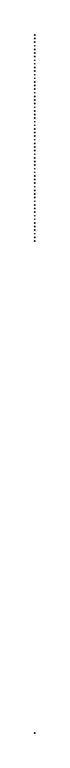
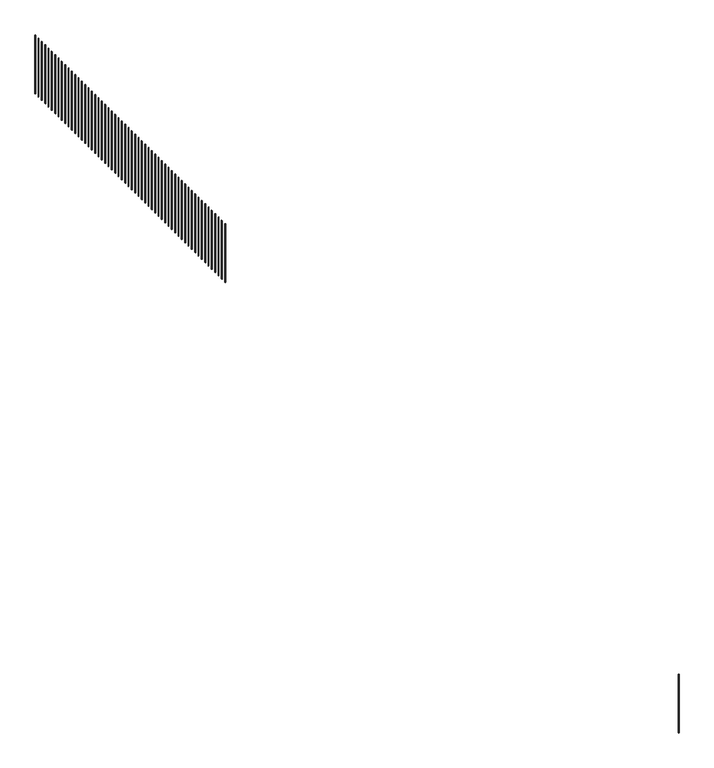
"""IFC4 building model written with IfcOpenShell, lengths in millimetres: railing geometry."""

from ifc_helpers import new_model, si_unit, frame, origin, place, context, project, spatial, polyline, outline, extrude, source, transform, mapped, element, save


def railing_5638c7fe(model_context):
    return source(origin(), model_context, "Body", "SweptSolid", [
        extrude(outline(polyline([(58152.6428488, 26765.4846524), (58177.6428488, 26765.4846524), (58177.6428488, 26740.4846524), (58152.6428488, 26740.4846524), (58152.6428488, 26765.4846524)])), frame((0.0, 0.0, 1900.0), z_axis=(0.0, 0.0, 1.0), x_axis=(1.0, 0.0, 0.0)), (0.0, 0.0, 1.0), 2950.0),
        extrude(outline(polyline([(58152.6428488, 27040.4846524), (58177.6428488, 27040.4846524), (58177.6428488, 27015.4846524), (58152.6428488, 27015.4846524), (58152.6428488, 27040.4846524)])), frame((0.0, 0.0, 1900.0), z_axis=(0.0, 0.0, 1.0), x_axis=(1.0, 0.0, 0.0)), (0.0, 0.0, 1.0), 2950.0),
        extrude(outline(polyline([(58152.6428488, 27315.4846524), (58177.6428488, 27315.4846524), (58177.6428488, 27290.4846524), (58152.6428488, 27290.4846524), (58152.6428488, 27315.4846524)])), frame((0.0, 0.0, 1900.0), z_axis=(0.0, 0.0, 1.0), x_axis=(1.0, 0.0, 0.0)), (0.0, 0.0, 1.0), 2950.0),
        extrude(outline(polyline([(58152.6428488, 27590.4846524), (58177.6428488, 27590.4846524), (58177.6428488, 27565.4846524), (58152.6428488, 27565.4846524), (58152.6428488, 27590.4846524)])), frame((0.0, 0.0, 1900.0), z_axis=(0.0, 0.0, 1.0), x_axis=(1.0, 0.0, 0.0)), (0.0, 0.0, 1.0), 2950.0),
        extrude(outline(polyline([(58152.6428488, 27865.4846524), (58177.6428488, 27865.4846524), (58177.6428488, 27840.4846524), (58152.6428488, 27840.4846524), (58152.6428488, 27865.4846524)])), frame((0.0, 0.0, 1900.0), z_axis=(0.0, 0.0, 1.0), x_axis=(1.0, 0.0, 0.0)), (0.0, 0.0, 1.0), 2950.0),
        extrude(outline(polyline([(58152.6428488, 28140.4846524), (58177.6428488, 28140.4846524), (58177.6428488, 28115.4846524), (58152.6428488, 28115.4846524), (58152.6428488, 28140.4846524)])), frame((0.0, 0.0, 1900.0), z_axis=(0.0, 0.0, 1.0), x_axis=(1.0, 0.0, 0.0)), (0.0, 0.0, 1.0), 2950.0),
        extrude(outline(polyline([(58152.6428488, 28415.4846524), (58177.6428488, 28415.4846524), (58177.6428488, 28390.4846524), (58152.6428488, 28390.4846524), (58152.6428488, 28415.4846524)])), frame((0.0, 0.0, 1900.0), z_axis=(0.0, 0.0, 1.0), x_axis=(1.0, 0.0, 0.0)), (0.0, 0.0, 1.0), 2950.0),
        extrude(outline(polyline([(58152.6428488, 28690.4846524), (58177.6428488, 28690.4846524), (58177.6428488, 28665.4846524), (58152.6428488, 28665.4846524), (58152.6428488, 28690.4846524)])), frame((0.0, 0.0, 1900.0), z_axis=(0.0, 0.0, 1.0), x_axis=(1.0, 0.0, 0.0)), (0.0, 0.0, 1.0), 2950.0),
        extrude(outline(polyline([(58152.6428488, 28965.4846524), (58177.6428488, 28965.4846524), (58177.6428488, 28940.4846524), (58152.6428488, 28940.4846524), (58152.6428488, 28965.4846524)])), frame((0.0, 0.0, 1900.0), z_axis=(0.0, 0.0, 1.0), x_axis=(1.0, 0.0, 0.0)), (0.0, 0.0, 1.0), 2950.0),
        extrude(outline(polyline([(58152.6428488, 29240.4846524), (58177.6428488, 29240.4846524), (58177.6428488, 29215.4846524), (58152.6428488, 29215.4846524), (58152.6428488, 29240.4846524)])), frame((0.0, 0.0, 1900.0), z_axis=(0.0, 0.0, 1.0), x_axis=(1.0, 0.0, 0.0)), (0.0, 0.0, 1.0), 2950.0),
        extrude(outline(polyline([(58152.6428488, 29515.4846524), (58177.6428488, 29515.4846524), (58177.6428488, 29490.4846524), (58152.6428488, 29490.4846524), (58152.6428488, 29515.4846524)])), frame((0.0, 0.0, 1900.0), z_axis=(0.0, 0.0, 1.0), x_axis=(1.0, 0.0, 0.0)), (0.0, 0.0, 1.0), 2950.0),
        extrude(outline(polyline([(58152.6428488, 29790.4846524), (58177.6428488, 29790.4846524), (58177.6428488, 29765.4846524), (58152.6428488, 29765.4846524), (58152.6428488, 29790.4846524)])), frame((0.0, 0.0, 1900.0), z_axis=(0.0, 0.0, 1.0), x_axis=(1.0, 0.0, 0.0)), (0.0, 0.0, 1.0), 2950.0),
        extrude(outline(polyline([(58152.6428488, 30065.4846524), (58177.6428488, 30065.4846524), (58177.6428488, 30040.4846524), (58152.6428488, 30040.4846524), (58152.6428488, 30065.4846524)])), frame((0.0, 0.0, 1900.0), z_axis=(0.0, 0.0, 1.0), x_axis=(1.0, 0.0, 0.0)), (0.0, 0.0, 1.0), 2950.0),
        extrude(outline(polyline([(58152.6428488, 30340.4846524), (58177.6428488, 30340.4846524), (58177.6428488, 30315.4846524), (58152.6428488, 30315.4846524), (58152.6428488, 30340.4846524)])), frame((0.0, 0.0, 1900.0), z_axis=(0.0, 0.0, 1.0), x_axis=(1.0, 0.0, 0.0)), (0.0, 0.0, 1.0), 2950.0),
        extrude(outline(polyline([(58152.6428488, 30615.4846524), (58177.6428488, 30615.4846524), (58177.6428488, 30590.4846524), (58152.6428488, 30590.4846524), (58152.6428488, 30615.4846524)])), frame((0.0, 0.0, 1900.0), z_axis=(0.0, 0.0, 1.0), x_axis=(1.0, 0.0, 0.0)), (0.0, 0.0, 1.0), 2950.0),
        extrude(outline(polyline([(58152.6428488, 30890.4846524), (58177.6428488, 30890.4846524), (58177.6428488, 30865.4846524), (58152.6428488, 30865.4846524), (58152.6428488, 30890.4846524)])), frame((0.0, 0.0, 1900.0), z_axis=(0.0, 0.0, 1.0), x_axis=(1.0, 0.0, 0.0)), (0.0, 0.0, 1.0), 2950.0),
        extrude(outline(polyline([(58152.6428488, 31165.4846524), (58177.6428488, 31165.4846524), (58177.6428488, 31140.4846524), (58152.6428488, 31140.4846524), (58152.6428488, 31165.4846524)])), frame((0.0, 0.0, 1900.0), z_axis=(0.0, 0.0, 1.0), x_axis=(1.0, 0.0, 0.0)), (0.0, 0.0, 1.0), 2950.0),
        extrude(outline(polyline([(58152.6428488, 31440.4846524), (58177.6428488, 31440.4846524), (58177.6428488, 31415.4846524), (58152.6428488, 31415.4846524), (58152.6428488, 31440.4846524)])), frame((0.0, 0.0, 1900.0), z_axis=(0.0, 0.0, 1.0), x_axis=(1.0, 0.0, 0.0)), (0.0, 0.0, 1.0), 2950.0),
        extrude(outline(polyline([(58152.6428488, 31715.4846524), (58177.6428488, 31715.4846524), (58177.6428488, 31690.4846524), (58152.6428488, 31690.4846524), (58152.6428488, 31715.4846524)])), frame((0.0, 0.0, 1900.0), z_axis=(0.0, 0.0, 1.0), x_axis=(1.0, 0.0, 0.0)), (0.0, 0.0, 1.0), 2950.0),
        extrude(outline(polyline([(58152.6428488, 31990.4846524), (58177.6428488, 31990.4846524), (58177.6428488, 31965.4846524), (58152.6428488, 31965.4846524), (58152.6428488, 31990.4846524)])), frame((0.0, 0.0, 1900.0), z_axis=(0.0, 0.0, 1.0), x_axis=(1.0, 0.0, 0.0)), (0.0, 0.0, 1.0), 2950.0),
        extrude(outline(polyline([(58152.6428488, 32265.4846524), (58177.6428488, 32265.4846524), (58177.6428488, 32240.4846524), (58152.6428488, 32240.4846524), (58152.6428488, 32265.4846524)])), frame((0.0, 0.0, 1900.0), z_axis=(0.0, 0.0, 1.0), x_axis=(1.0, 0.0, 0.0)), (0.0, 0.0, 1.0), 2950.0),
        extrude(outline(polyline([(58152.6428488, 32540.4846524), (58177.6428488, 32540.4846524), (58177.6428488, 32515.4846524), (58152.6428488, 32515.4846524), (58152.6428488, 32540.4846524)])), frame((0.0, 0.0, 1900.0), z_axis=(0.0, 0.0, 1.0), x_axis=(1.0, 0.0, 0.0)), (0.0, 0.0, 1.0), 2950.0),
        extrude(outline(polyline([(58152.6428488, 32815.4846524), (58177.6428488, 32815.4846524), (58177.6428488, 32790.4846524), (58152.6428488, 32790.4846524), (58152.6428488, 32815.4846524)])), frame((0.0, 0.0, 1900.0), z_axis=(0.0, 0.0, 1.0), x_axis=(1.0, 0.0, 0.0)), (0.0, 0.0, 1.0), 2950.0),
        extrude(outline(polyline([(58152.6428488, 33090.4846524), (58177.6428488, 33090.4846524), (58177.6428488, 33065.4846524), (58152.6428488, 33065.4846524), (58152.6428488, 33090.4846524)])), frame((0.0, 0.0, 1900.0), z_axis=(0.0, 0.0, 1.0), x_axis=(1.0, 0.0, 0.0)), (0.0, 0.0, 1.0), 2950.0),
        extrude(outline(polyline([(58152.6428488, 33365.4846524), (58177.6428488, 33365.4846524), (58177.6428488, 33340.4846524), (58152.6428488, 33340.4846524), (58152.6428488, 33365.4846524)])), frame((0.0, 0.0, 1900.0), z_axis=(0.0, 0.0, 1.0), x_axis=(1.0, 0.0, 0.0)), (0.0, 0.0, 1.0), 2950.0),
        extrude(outline(polyline([(58152.6428488, 33640.4846524), (58177.6428488, 33640.4846524), (58177.6428488, 33615.4846524), (58152.6428488, 33615.4846524), (58152.6428488, 33640.4846524)])), frame((0.0, 0.0, 1900.0), z_axis=(0.0, 0.0, 1.0), x_axis=(1.0, 0.0, 0.0)), (0.0, 0.0, 1.0), 2950.0),
        extrude(outline(polyline([(58152.6428488, 33915.4846524), (58177.6428488, 33915.4846524), (58177.6428488, 33890.4846524), (58152.6428488, 33890.4846524), (58152.6428488, 33915.4846524)])), frame((0.0, 0.0, 1900.0), z_axis=(0.0, 0.0, 1.0), x_axis=(1.0, 0.0, 0.0)), (0.0, 0.0, 1.0), 2950.0),
        extrude(outline(polyline([(58152.6428488, 34190.4846524), (58177.6428488, 34190.4846524), (58177.6428488, 34165.4846524), (58152.6428488, 34165.4846524), (58152.6428488, 34190.4846524)])), frame((0.0, 0.0, 1900.0), z_axis=(0.0, 0.0, 1.0), x_axis=(1.0, 0.0, 0.0)), (0.0, 0.0, 1.0), 2950.0),
        extrude(outline(polyline([(58152.6428488, 34465.4846524), (58177.6428488, 34465.4846524), (58177.6428488, 34440.4846524), (58152.6428488, 34440.4846524), (58152.6428488, 34465.4846524)])), frame((0.0, 0.0, 1900.0), z_axis=(0.0, 0.0, 1.0), x_axis=(1.0, 0.0, 0.0)), (0.0, 0.0, 1.0), 2950.0),
        extrude(outline(polyline([(58152.6428488, 34740.4846524), (58177.6428488, 34740.4846524), (58177.6428488, 34715.4846524), (58152.6428488, 34715.4846524), (58152.6428488, 34740.4846524)])), frame((0.0, 0.0, 1900.0), z_axis=(0.0, 0.0, 1.0), x_axis=(1.0, 0.0, 0.0)), (0.0, 0.0, 1.0), 2950.0),
        extrude(outline(polyline([(58152.6428488, 35015.4846524), (58177.6428488, 35015.4846524), (58177.6428488, 34990.4846524), (58152.6428488, 34990.4846524), (58152.6428488, 35015.4846524)])), frame((0.0, 0.0, 1900.0), z_axis=(0.0, 0.0, 1.0), x_axis=(1.0, 0.0, 0.0)), (0.0, 0.0, 1.0), 2950.0),
        extrude(outline(polyline([(58152.6428488, 35290.4846524), (58177.6428488, 35290.4846524), (58177.6428488, 35265.4846524), (58152.6428488, 35265.4846524), (58152.6428488, 35290.4846524)])), frame((0.0, 0.0, 1900.0), z_axis=(0.0, 0.0, 1.0), x_axis=(1.0, 0.0, 0.0)), (0.0, 0.0, 1.0), 2950.0),
        extrude(outline(polyline([(58152.6428488, 35565.4846524), (58177.6428488, 35565.4846524), (58177.6428488, 35540.4846524), (58152.6428488, 35540.4846524), (58152.6428488, 35565.4846524)])), frame((0.0, 0.0, 1900.0), z_axis=(0.0, 0.0, 1.0), x_axis=(1.0, 0.0, 0.0)), (0.0, 0.0, 1.0), 2950.0),
        extrude(outline(polyline([(58152.6428488, 35840.4846524), (58177.6428488, 35840.4846524), (58177.6428488, 35815.4846524), (58152.6428488, 35815.4846524), (58152.6428488, 35840.4846524)])), frame((0.0, 0.0, 1900.0), z_axis=(0.0, 0.0, 1.0), x_axis=(1.0, 0.0, 0.0)), (0.0, 0.0, 1.0), 2950.0),
        extrude(outline(polyline([(58152.6428488, 36115.4846524), (58177.6428488, 36115.4846524), (58177.6428488, 36090.4846524), (58152.6428488, 36090.4846524), (58152.6428488, 36115.4846524)])), frame((0.0, 0.0, 1900.0), z_axis=(0.0, 0.0, 1.0), x_axis=(1.0, 0.0, 0.0)), (0.0, 0.0, 1.0), 2950.0),
        extrude(outline(polyline([(58152.6428488, 36390.4846524), (58177.6428488, 36390.4846524), (58177.6428488, 36365.4846524), (58152.6428488, 36365.4846524), (58152.6428488, 36390.4846524)])), frame((0.0, 0.0, 1900.0), z_axis=(0.0, 0.0, 1.0), x_axis=(1.0, 0.0, 0.0)), (0.0, 0.0, 1.0), 2950.0),
        extrude(outline(polyline([(58152.6428488, 36665.4846524), (58177.6428488, 36665.4846524), (58177.6428488, 36640.4846524), (58152.6428488, 36640.4846524), (58152.6428488, 36665.4846524)])), frame((0.0, 0.0, 1900.0), z_axis=(0.0, 0.0, 1.0), x_axis=(1.0, 0.0, 0.0)), (0.0, 0.0, 1.0), 2950.0),
        extrude(outline(polyline([(58152.6428488, 36940.4846524), (58177.6428488, 36940.4846524), (58177.6428488, 36915.4846524), (58152.6428488, 36915.4846524), (58152.6428488, 36940.4846524)])), frame((0.0, 0.0, 1900.0), z_axis=(0.0, 0.0, 1.0), x_axis=(1.0, 0.0, 0.0)), (0.0, 0.0, 1.0), 2950.0),
        extrude(outline(polyline([(58152.6428488, 37215.4846524), (58177.6428488, 37215.4846524), (58177.6428488, 37190.4846524), (58152.6428488, 37190.4846524), (58152.6428488, 37215.4846524)])), frame((0.0, 0.0, 1900.0), z_axis=(0.0, 0.0, 1.0), x_axis=(1.0, 0.0, 0.0)), (0.0, 0.0, 1.0), 2950.0),
        extrude(outline(polyline([(58152.6428488, 37490.4846524), (58177.6428488, 37490.4846524), (58177.6428488, 37465.4846524), (58152.6428488, 37465.4846524), (58152.6428488, 37490.4846524)])), frame((0.0, 0.0, 1900.0), z_axis=(0.0, 0.0, 1.0), x_axis=(1.0, 0.0, 0.0)), (0.0, 0.0, 1.0), 2950.0),
        extrude(outline(polyline([(58152.6428488, 37765.4846524), (58177.6428488, 37765.4846524), (58177.6428488, 37740.4846524), (58152.6428488, 37740.4846524), (58152.6428488, 37765.4846524)])), frame((0.0, 0.0, 1900.0), z_axis=(0.0, 0.0, 1.0), x_axis=(1.0, 0.0, 0.0)), (0.0, 0.0, 1.0), 2950.0),
        extrude(outline(polyline([(58152.6428488, 38040.4846524), (58177.6428488, 38040.4846524), (58177.6428488, 38015.4846524), (58152.6428488, 38015.4846524), (58152.6428488, 38040.4846524)])), frame((0.0, 0.0, 1900.0), z_axis=(0.0, 0.0, 1.0), x_axis=(1.0, 0.0, 0.0)), (0.0, 0.0, 1.0), 2950.0),
        extrude(outline(polyline([(58152.6428488, 38315.4846524), (58177.6428488, 38315.4846524), (58177.6428488, 38290.4846524), (58152.6428488, 38290.4846524), (58152.6428488, 38315.4846524)])), frame((0.0, 0.0, 1900.0), z_axis=(0.0, 0.0, 1.0), x_axis=(1.0, 0.0, 0.0)), (0.0, 0.0, 1.0), 2950.0),
        extrude(outline(polyline([(58152.6428488, 38590.4846524), (58177.6428488, 38590.4846524), (58177.6428488, 38565.4846524), (58152.6428488, 38565.4846524), (58152.6428488, 38590.4846524)])), frame((0.0, 0.0, 1900.0), z_axis=(0.0, 0.0, 1.0), x_axis=(1.0, 0.0, 0.0)), (0.0, 0.0, 1.0), 2950.0),
        extrude(outline(polyline([(58152.6428488, 38865.4846524), (58177.6428488, 38865.4846524), (58177.6428488, 38840.4846524), (58152.6428488, 38840.4846524), (58152.6428488, 38865.4846524)])), frame((0.0, 0.0, 1900.0), z_axis=(0.0, 0.0, 1.0), x_axis=(1.0, 0.0, 0.0)), (0.0, 0.0, 1.0), 2950.0),
        extrude(outline(polyline([(58152.6428488, 39140.4846524), (58177.6428488, 39140.4846524), (58177.6428488, 39115.4846524), (58152.6428488, 39115.4846524), (58152.6428488, 39140.4846524)])), frame((0.0, 0.0, 1900.0), z_axis=(0.0, 0.0, 1.0), x_axis=(1.0, 0.0, 0.0)), (0.0, 0.0, 1.0), 2950.0),
        extrude(outline(polyline([(58152.6428488, 39415.4846524), (58177.6428488, 39415.4846524), (58177.6428488, 39390.4846524), (58152.6428488, 39390.4846524), (58152.6428488, 39415.4846524)])), frame((0.0, 0.0, 1900.0), z_axis=(0.0, 0.0, 1.0), x_axis=(1.0, 0.0, 0.0)), (0.0, 0.0, 1.0), 2950.0),
        extrude(outline(polyline([(58152.6428488, 39690.4846524), (58177.6428488, 39690.4846524), (58177.6428488, 39665.4846524), (58152.6428488, 39665.4846524), (58152.6428488, 39690.4846524)])), frame((0.0, 0.0, 1900.0), z_axis=(0.0, 0.0, 1.0), x_axis=(1.0, 0.0, 0.0)), (0.0, 0.0, 1.0), 2950.0),
        extrude(outline(polyline([(58152.6428488, 39965.4846524), (58177.6428488, 39965.4846524), (58177.6428488, 39940.4846524), (58152.6428488, 39940.4846524), (58152.6428488, 39965.4846524)])), frame((0.0, 0.0, 1900.0), z_axis=(0.0, 0.0, 1.0), x_axis=(1.0, 0.0, 0.0)), (0.0, 0.0, 1.0), 2950.0),
        extrude(outline(polyline([(58152.6428488, 40240.4846524), (58177.6428488, 40240.4846524), (58177.6428488, 40215.4846524), (58152.6428488, 40215.4846524), (58152.6428488, 40240.4846524)])), frame((0.0, 0.0, 1900.0), z_axis=(0.0, 0.0, 1.0), x_axis=(1.0, 0.0, 0.0)), (0.0, 0.0, 1.0), 2950.0),
        extrude(outline(polyline([(58152.6428488, 40515.4846524), (58177.6428488, 40515.4846524), (58177.6428488, 40490.4846524), (58152.6428488, 40490.4846524), (58152.6428488, 40515.4846524)])), frame((0.0, 0.0, 1900.0), z_axis=(0.0, 0.0, 1.0), x_axis=(1.0, 0.0, 0.0)), (0.0, 0.0, 1.0), 2950.0),
        extrude(outline(polyline([(58152.6428488, 40790.4846524), (58177.6428488, 40790.4846524), (58177.6428488, 40765.4846524), (58152.6428488, 40765.4846524), (58152.6428488, 40790.4846524)])), frame((0.0, 0.0, 1900.0), z_axis=(0.0, 0.0, 1.0), x_axis=(1.0, 0.0, 0.0)), (0.0, 0.0, 1.0), 2950.0),
        extrude(outline(polyline([(58152.6428488, 41065.4846524), (58177.6428488, 41065.4846524), (58177.6428488, 41040.4846524), (58152.6428488, 41040.4846524), (58152.6428488, 41065.4846524)])), frame((0.0, 0.0, 1900.0), z_axis=(0.0, 0.0, 1.0), x_axis=(1.0, 0.0, 0.0)), (0.0, 0.0, 1.0), 2950.0),
        extrude(outline(polyline([(58152.6428488, 41340.4846524), (58177.6428488, 41340.4846524), (58177.6428488, 41315.4846524), (58152.6428488, 41315.4846524), (58152.6428488, 41340.4846524)])), frame((0.0, 0.0, 1900.0), z_axis=(0.0, 0.0, 1.0), x_axis=(1.0, 0.0, 0.0)), (0.0, 0.0, 1.0), 2950.0),
        extrude(outline(polyline([(58152.6428488, 41615.4846524), (58177.6428488, 41615.4846524), (58177.6428488, 41590.4846524), (58152.6428488, 41590.4846524), (58152.6428488, 41615.4846524)])), frame((0.0, 0.0, 1900.0), z_axis=(0.0, 0.0, 1.0), x_axis=(1.0, 0.0, 0.0)), (0.0, 0.0, 1.0), 2950.0),
        extrude(outline(polyline([(58152.6428488, 41890.4846524), (58177.6428488, 41890.4846524), (58177.6428488, 41865.4846524), (58152.6428488, 41865.4846524), (58152.6428488, 41890.4846524)])), frame((0.0, 0.0, 1900.0), z_axis=(0.0, 0.0, 1.0), x_axis=(1.0, 0.0, 0.0)), (0.0, 0.0, 1.0), 2950.0),
        extrude(outline(polyline([(58152.6428488, 42165.4846524), (58177.6428488, 42165.4846524), (58177.6428488, 42140.4846524), (58152.6428488, 42140.4846524), (58152.6428488, 42165.4846524)])), frame((0.0, 0.0, 1900.0), z_axis=(0.0, 0.0, 1.0), x_axis=(1.0, 0.0, 0.0)), (0.0, 0.0, 1.0), 2950.0),
        extrude(outline(polyline([(58152.6428488, -10647.0153476), (58177.6428488, -10647.0153476), (58177.6428488, -10672.0153476), (58152.6428488, -10672.0153476), (58152.6428488, -10647.0153476)])), frame((0.0, 0.0, 1900.0), z_axis=(0.0, 0.0, 1.0), x_axis=(1.0, 0.0, 0.0)), (0.0, 0.0, 1.0), 2950.0),
        extrude(outline(polyline([(58152.6428488, 42427.9846524), (58177.6428488, 42427.9846524), (58177.6428488, 42402.9846524), (58152.6428488, 42402.9846524), (58152.6428488, 42427.9846524)])), frame((0.0, 0.0, 1900.0), z_axis=(0.0, 0.0, 1.0), x_axis=(1.0, 0.0, 0.0)), (0.0, 0.0, 1.0), 2950.0),
    ])


if __name__ == "__main__":
    model = new_model("IFC4")
    model_context = context("Model", 3, world=origin())
    ifc_project = project(units=[si_unit("LENGTHUNIT", "METRE", prefix="MILLI")], contexts=[model_context])
    site = spatial("IfcSite", under=ifc_project)
    building = spatial("IfcBuilding", under=site)
    placement = place(None, origin())
    railing_shape = railing_5638c7fe(model_context)
    element("IfcRailing", 1, at=placement, inside=building, context=model_context, shape_type="MappedRepresentation", body=[
        mapped(railing_shape, transform((0.0, 0.0, 0.0), x_axis=(1.0, 0.0, 0.0), y_axis=(0.0, 1.0, 0.0), z_axis=(0.0, 0.0, 1.0))),
    ])
    save(model, "model.ifc")
